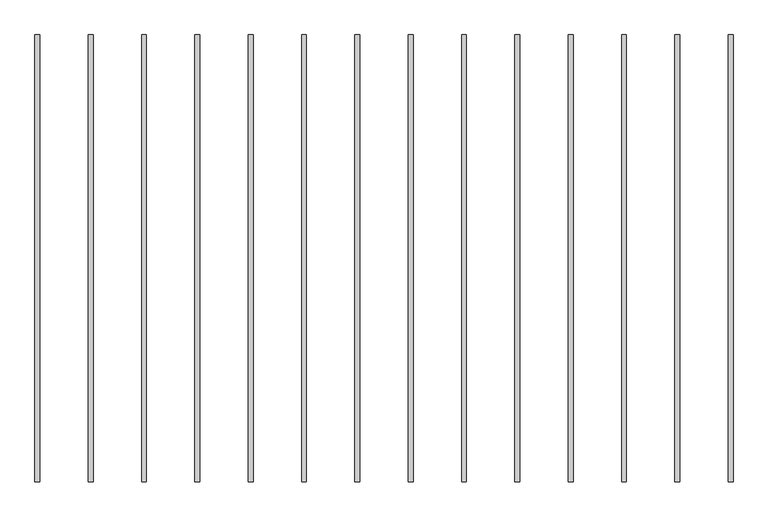
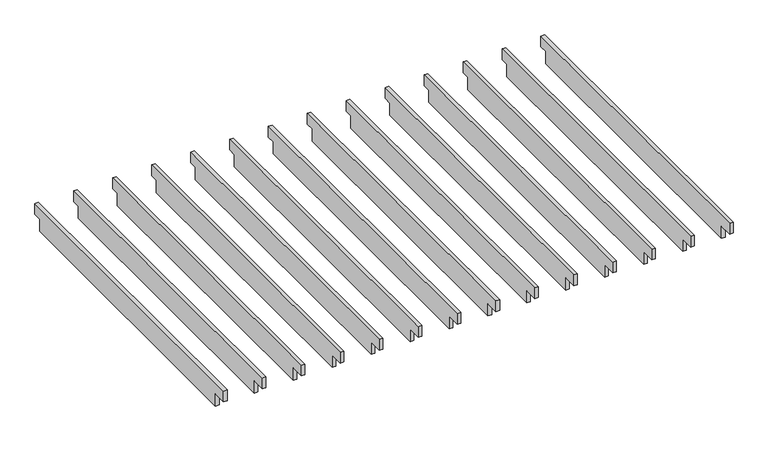
"""IFC4 building model written with IfcOpenShell, lengths in millimetres: furniture geometry."""

from ifc_helpers import new_model, si_unit, frame, origin, place, context, project, spatial, polyline, outline, extrude, source, transform, mapped, element, save


def furniture_ebe27167(model_context):
    return source(origin(), model_context, "Body", "SweptSolid", [
        extrude(outline(polyline([(0.0, 2354.2752), (0.0, 2265.3752), (-63.119, 2265.3752), (-63.119, 2163.7752), (-2448.7632, 2163.7752), (-2448.7632, 2265.3752), (-2557.6022, 2265.3752), (-2557.6022, 2354.2752), (0.0, 2354.2752)])), frame((3948.4046, 0.0, 0.0), z_axis=(1.0, 0.0, 0.0), x_axis=(0.0, 1.0, 0.0)), (0.0, 0.0, 1.0), 27.9908),
        extrude(outline(polyline([(0.0, 2354.2752), (0.0, 2265.3752), (-63.119, 2265.3752), (-63.119, 2163.7752), (-2448.7632, 2163.7752), (-2448.7632, 2265.3752), (-2557.6022, 2265.3752), (-2557.6022, 2354.2752), (0.0, 2354.2752)])), frame((3643.6046, 0.0, 0.0), z_axis=(1.0, 0.0, 0.0), x_axis=(0.0, 1.0, 0.0)), (0.0, 0.0, 1.0), 27.9908),
        extrude(outline(polyline([(0.0, 2354.2752), (0.0, 2265.3752), (-63.119, 2265.3752), (-63.119, 2163.7752), (-2448.7632, 2163.7752), (-2448.7632, 2265.3752), (-2557.6022, 2265.3752), (-2557.6022, 2354.2752), (0.0, 2354.2752)])), frame((3338.8046, 0.0, 0.0), z_axis=(1.0, 0.0, 0.0), x_axis=(0.0, 1.0, 0.0)), (0.0, 0.0, 1.0), 27.9908),
        extrude(outline(polyline([(0.0, 2354.2752), (0.0, 2265.3752), (-63.119, 2265.3752), (-63.119, 2163.7752), (-2448.7632, 2163.7752), (-2448.7632, 2265.3752), (-2557.6022, 2265.3752), (-2557.6022, 2354.2752), (0.0, 2354.2752)])), frame((3034.0046, 0.0, 0.0), z_axis=(1.0, 0.0, 0.0), x_axis=(0.0, 1.0, 0.0)), (0.0, 0.0, 1.0), 27.9908),
        extrude(outline(polyline([(0.0, 2354.2752), (0.0, 2265.3752), (-63.119, 2265.3752), (-63.119, 2163.7752), (-2448.7632, 2163.7752), (-2448.7632, 2265.3752), (-2557.6022, 2265.3752), (-2557.6022, 2354.2752), (0.0, 2354.2752)])), frame((2729.2046, 0.0, 0.0), z_axis=(1.0, 0.0, 0.0), x_axis=(0.0, 1.0, 0.0)), (0.0, 0.0, 1.0), 27.9908),
        extrude(outline(polyline([(0.0, 2354.2752), (0.0, 2265.3752), (-63.119, 2265.3752), (-63.119, 2163.7752), (-2448.7632, 2163.7752), (-2448.7632, 2265.3752), (-2557.6022, 2265.3752), (-2557.6022, 2354.2752), (0.0, 2354.2752)])), frame((2424.4046, 0.0, 0.0), z_axis=(1.0, 0.0, 0.0), x_axis=(0.0, 1.0, 0.0)), (0.0, 0.0, 1.0), 27.9908),
        extrude(outline(polyline([(0.0, 2354.2752), (0.0, 2265.3752), (-63.119, 2265.3752), (-63.119, 2163.7752), (-2448.7632, 2163.7752), (-2448.7632, 2265.3752), (-2557.6022, 2265.3752), (-2557.6022, 2354.2752), (0.0, 2354.2752)])), frame((2119.6046, 0.0, 0.0), z_axis=(1.0, 0.0, 0.0), x_axis=(0.0, 1.0, 0.0)), (0.0, 0.0, 1.0), 27.9908),
        extrude(outline(polyline([(0.0, 2354.2752), (0.0, 2265.3752), (-63.119, 2265.3752), (-63.119, 2163.7752), (-2448.7632, 2163.7752), (-2448.7632, 2265.3752), (-2557.6022, 2265.3752), (-2557.6022, 2354.2752), (0.0, 2354.2752)])), frame((1814.8046, 0.0, 0.0), z_axis=(1.0, 0.0, 0.0), x_axis=(0.0, 1.0, 0.0)), (0.0, 0.0, 1.0), 27.9908),
        extrude(outline(polyline([(0.0, 2354.2752), (0.0, 2265.3752), (-63.119, 2265.3752), (-63.119, 2163.7752), (-2448.7632, 2163.7752), (-2448.7632, 2265.3752), (-2557.6022, 2265.3752), (-2557.6022, 2354.2752), (0.0, 2354.2752)])), frame((1510.0046, 0.0, 0.0), z_axis=(1.0, 0.0, 0.0), x_axis=(0.0, 1.0, 0.0)), (0.0, 0.0, 1.0), 27.9908),
        extrude(outline(polyline([(0.0, 2354.2752), (0.0, 2265.3752), (-63.119, 2265.3752), (-63.119, 2163.7752), (-2448.7632, 2163.7752), (-2448.7632, 2265.3752), (-2557.6022, 2265.3752), (-2557.6022, 2354.2752), (0.0, 2354.2752)])), frame((1205.2046, 0.0, 0.0), z_axis=(1.0, 0.0, 0.0), x_axis=(0.0, 1.0, 0.0)), (0.0, 0.0, 1.0), 27.9908),
        extrude(outline(polyline([(0.0, 2354.2752), (0.0, 2265.3752), (-63.119, 2265.3752), (-63.119, 2163.7752), (-2448.7632, 2163.7752), (-2448.7632, 2265.3752), (-2557.6022, 2265.3752), (-2557.6022, 2354.2752), (0.0, 2354.2752)])), frame((900.4046, 0.0, 0.0), z_axis=(1.0, 0.0, 0.0), x_axis=(0.0, 1.0, 0.0)), (0.0, 0.0, 1.0), 27.9908),
        extrude(outline(polyline([(0.0, 2354.2752), (0.0, 2265.3752), (-63.119, 2265.3752), (-63.119, 2163.7752), (-2448.7632, 2163.7752), (-2448.7632, 2265.3752), (-2557.6022, 2265.3752), (-2557.6022, 2354.2752), (0.0, 2354.2752)])), frame((595.6046, 0.0, 0.0), z_axis=(1.0, 0.0, 0.0), x_axis=(0.0, 1.0, 0.0)), (0.0, 0.0, 1.0), 27.9908),
        extrude(outline(polyline([(0.0, 2354.2752), (0.0, 2265.3752), (-63.119, 2265.3752), (-63.119, 2163.7752), (-2448.7632, 2163.7752), (-2448.7632, 2265.3752), (-2557.6022, 2265.3752), (-2557.6022, 2354.2752), (0.0, 2354.2752)])), frame((290.8046, 0.0, 0.0), z_axis=(1.0, 0.0, 0.0), x_axis=(0.0, 1.0, 0.0)), (0.0, 0.0, 1.0), 27.9908),
        extrude(outline(polyline([(0.0, 2354.2752), (0.0, 2265.3752), (-63.119, 2265.3752), (-63.119, 2163.7752), (-2448.7632, 2163.7752), (-2448.7632, 2265.3752), (-2557.6022, 2265.3752), (-2557.6022, 2354.2752), (0.0, 2354.2752)])), frame((-13.9954, 0.0, 0.0), z_axis=(1.0, 0.0, 0.0), x_axis=(0.0, 1.0, 0.0)), (0.0, 0.0, 1.0), 27.9908),
    ])


if __name__ == "__main__":
    model = new_model("IFC4")
    model_context = context("Model", 3, world=origin())
    ifc_project = project(units=[si_unit("LENGTHUNIT", "METRE", prefix="MILLI")], contexts=[model_context])
    site = spatial("IfcSite", under=ifc_project)
    building = spatial("IfcBuilding", under=site)
    placement = place(None, origin())
    furniture_shape = furniture_ebe27167(model_context)
    element("IfcFurniture", 1, at=placement, inside=building, context=model_context, shape_type="MappedRepresentation", body=[
        mapped(furniture_shape, transform((0.0, 0.0, 0.0), x_axis=(1.0, 0.0, 0.0), y_axis=(0.0, 1.0, 0.0), z_axis=(0.0, 0.0, 1.0))),
    ])
    save(model, "model.ifc")
